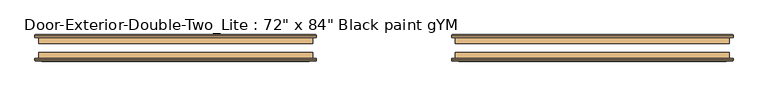
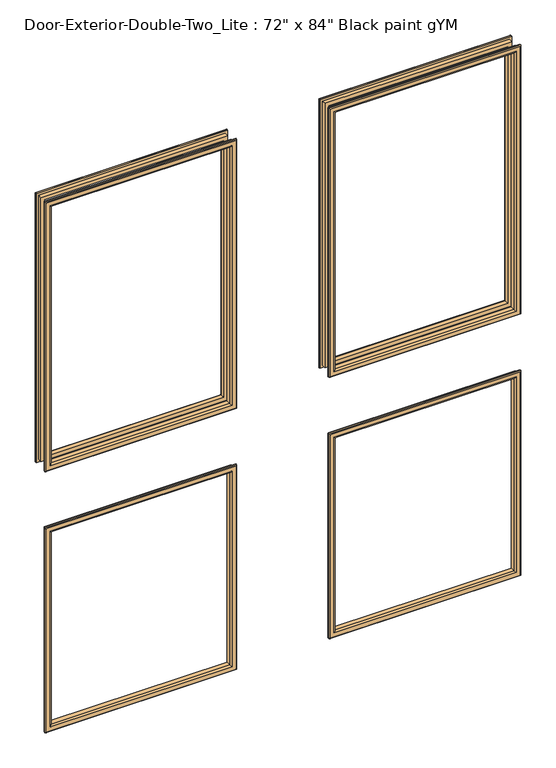
"""IFC4 building model written with IfcOpenShell, lengths in millimetres: door geometry."""

from ifc_helpers import new_model, si_unit, frame, origin, place, context, project, spatial, ellipse_curve, source, transform, mapped, element, save
from ifc_brep_helpers import plane_surface, cylinder_surface, advanced_brep


def door_aa57165d(model_context):
    return source(origin(), model_context, "Body", "AdvancedBrep", [
        advanced_brep(
        [(152.4, 148.5503125, 1990.725), (152.4, 161.2503125, 1990.725), (152.4, 161.2503125, 1117.6), (152.4, 148.5503125, 1117.6), (164.4, 162.2503125, 1978.725), (164.4, 148.5503125, 1978.725), (164.4, 148.5503125, 1129.6), (164.4, 162.2503125, 1129.6), (159.4, 167.2503125, 1983.725), (159.4, 167.2503125, 1124.6), (144.4, 165.2503125, 1998.725), (146.4, 167.2503125, 1996.725), (146.4, 167.2503125, 1111.6), (144.4, 165.2503125, 1109.6), (144.4, 161.2503125, 1998.725), (144.4, 161.2503125, 1109.6), (736.6, 161.2503125, 1117.6), (736.6, 148.5503125, 1117.6), (724.6, 148.5503125, 1129.6), (724.6, 162.2503125, 1129.6), (729.6, 167.2503125, 1124.6), (742.6, 167.2503125, 1111.6), (744.6, 165.2503125, 1109.6), (744.6, 161.2503125, 1109.6), (736.6, 161.2503125, 1990.725), (736.6, 148.5503125, 1990.725), (724.6, 148.5503125, 1978.725), (724.6, 162.2503125, 1978.725), (729.6, 167.2503125, 1983.725), (742.6, 167.2503125, 1996.725), (744.6, 165.2503125, 1998.725), (744.6, 161.2503125, 1998.725)],
        [
            (0, 1),
            (1, 2),
            (2, 3),
            (3, 0),
            (4, 5),
            (5, 6),
            (6, 7),
            (7, 4),
            (8, 4, ellipse_curve(frame((159.4, 162.2503125, 1983.725), z_axis=(-0.7071067811865475, 0.0, -0.7071067811865475), x_axis=(-0.7071067811865474, 0.0, 0.7071067811865476)), 7.0710678, 5.0)),
            (7, 9, ellipse_curve(frame((159.4, 162.2503125, 1124.6), z_axis=(-0.7071067811865475, 0.0, 0.7071067811865475), x_axis=(0.7071067811865474, 0.0, 0.7071067811865476)), 7.0710678, 5.0)),
            (9, 8),
            (10, 11, ellipse_curve(frame((146.4, 165.2503125, 1996.725), z_axis=(-0.7071067811865475, 0.0, -0.7071067811865475), x_axis=(-0.7071067811865474, 0.0, 0.7071067811865476)), 2.8284271, 2.0)),
            (11, 12),
            (12, 13, ellipse_curve(frame((146.4, 165.2503125, 1111.6), z_axis=(-0.7071067811865475, 0.0, 0.7071067811865475), x_axis=(0.7071067811865474, 0.0, 0.7071067811865476)), 2.8284271, 2.0)),
            (13, 10),
            (14, 10),
            (13, 15),
            (15, 14),
            (2, 16),
            (16, 17),
            (17, 3),
            (6, 18),
            (18, 19),
            (19, 7),
            (19, 20, ellipse_curve(frame((729.6, 162.2503125, 1124.6), z_axis=(-0.7071067811865475, 0.0, -0.7071067811865475), x_axis=(-0.7071067811865476, 0.0, 0.7071067811865474)), 7.0710678, 5.0)),
            (20, 9),
            (12, 21),
            (21, 22, ellipse_curve(frame((742.6, 165.2503125, 1111.6), z_axis=(-0.7071067811865475, 0.0, -0.7071067811865475), x_axis=(-0.7071067811865476, 0.0, 0.7071067811865474)), 2.8284271, 2.0)),
            (22, 13),
            (22, 23),
            (23, 15),
            (16, 24),
            (24, 25),
            (25, 17),
            (18, 26),
            (26, 27),
            (27, 19),
            (27, 28, ellipse_curve(frame((729.6, 162.2503125, 1983.725), z_axis=(0.7071067811865475, 0.0, -0.7071067811865475), x_axis=(-0.7071067811865474, 0.0, -0.7071067811865476)), 7.0710678, 5.0)),
            (28, 20),
            (21, 29),
            (29, 30, ellipse_curve(frame((742.6, 165.2503125, 1996.725), z_axis=(0.7071067811865475, 0.0, -0.7071067811865475), x_axis=(-0.7071067811865474, 0.0, -0.7071067811865476)), 2.8284271, 2.0)),
            (30, 22),
            (30, 31),
            (31, 23),
            (31, 14),
            (1, 24),
            (0, 25),
            (5, 26),
            (4, 27),
            (8, 28),
            (11, 29),
            (10, 30),
        ],
        [
            plane_surface(frame((152.4, 161.2503125, 1990.725), z_axis=(-1.0, 0.0, 0.0), x_axis=(0.0, 0.0, -1.0))),
            plane_surface(frame((164.4, 148.5503125, 1978.725), z_axis=(1.0, 0.0, 0.0), x_axis=(0.0, 0.0, -1.0))),
            cylinder_surface(frame((159.4, 162.2503125, 1990.725), z_axis=(0.0, 0.0, 1.0), x_axis=(-1.0, 0.0, 0.0)), 5.0),
            cylinder_surface(frame((146.4, 165.2503125, 1990.725), z_axis=(0.0, 0.0, 1.0), x_axis=(-1.0, 0.0, 0.0)), 2.0),
            plane_surface(frame((144.4, 165.2503125, 1998.725), z_axis=(-1.0, 0.0, 0.0), x_axis=(0.0, 0.0, -1.0))),
            plane_surface(frame((152.4, 161.2503125, 1117.6), z_axis=(0.0, 0.0, -1.0), x_axis=(1.0, 0.0, 0.0))),
            plane_surface(frame((164.4, 148.5503125, 1129.6), z_axis=(0.0, 0.0, 1.0), x_axis=(1.0, 0.0, 0.0))),
            cylinder_surface(frame((152.4, 162.2503125, 1124.6), z_axis=(-1.0, 0.0, 0.0), x_axis=(0.0, 0.0, -1.0)), 5.0),
            cylinder_surface(frame((152.4, 165.2503125, 1111.6), z_axis=(-1.0, 0.0, 0.0), x_axis=(0.0, 0.0, -1.0)), 2.0),
            plane_surface(frame((144.4, 165.2503125, 1109.6), z_axis=(0.0, 0.0, -1.0), x_axis=(1.0, 0.0, 0.0))),
            plane_surface(frame((736.6, 161.2503125, 1117.6), z_axis=(1.0, 0.0, 0.0), x_axis=(0.0, 0.0, 1.0))),
            plane_surface(frame((724.6, 148.5503125, 1129.6), z_axis=(-1.0, 0.0, 0.0), x_axis=(0.0, 0.0, 1.0))),
            cylinder_surface(frame((729.6, 162.2503125, 1117.6), z_axis=(0.0, 0.0, -1.0), x_axis=(1.0, 0.0, 0.0)), 5.0),
            cylinder_surface(frame((742.6, 165.2503125, 1117.6), z_axis=(0.0, 0.0, -1.0), x_axis=(1.0, 0.0, 0.0)), 2.0),
            plane_surface(frame((744.6, 165.2503125, 1109.6), z_axis=(1.0, 0.0, 0.0), x_axis=(0.0, 0.0, 1.0))),
            plane_surface(frame((744.6, 161.2503125, 1998.725), z_axis=(0.0, -1.0, 0.0), x_axis=(-1.0, 0.0, 0.0))),
            plane_surface(frame((736.6, 161.2503125, 1990.725), z_axis=(0.0, 0.0, 1.0), x_axis=(-1.0, 0.0, 0.0))),
            plane_surface(frame((736.6, 148.5503125, 1990.725), z_axis=(0.0, -1.0, 0.0), x_axis=(-1.0, 0.0, 0.0))),
            plane_surface(frame((724.6, 148.5503125, 1978.725), z_axis=(0.0, 0.0, -1.0), x_axis=(-1.0, 0.0, 0.0))),
            cylinder_surface(frame((736.6, 162.2503125, 1983.725), z_axis=(1.0, 0.0, 0.0), x_axis=(0.0, 0.0, 1.0)), 5.0),
            plane_surface(frame((729.6, 167.2503125, 1983.725), z_axis=(0.0, 1.0, 0.0), x_axis=(-1.0, 0.0, 0.0))),
            cylinder_surface(frame((736.6, 165.2503125, 1996.725), z_axis=(1.0, 0.0, 0.0), x_axis=(0.0, 0.0, 1.0)), 2.0),
            plane_surface(frame((744.6, 165.2503125, 1998.725), z_axis=(0.0, 0.0, 1.0), x_axis=(-1.0, 0.0, 0.0))),
        ],
        [
            (0, [[1, 2, 3, 4]]),
            (1, [[5, 6, 7, 8]]),
            (2, [[9, -8, 10, 11]]),
            (3, [[12, 13, 14, 15]]),
            (4, [[16, -15, 17, 18]]),
            (5, [[-3, 19, 20, 21]]),
            (6, [[-7, 22, 23, 24]]),
            (7, [[-10, -24, 25, 26]]),
            (8, [[-14, 27, 28, 29]]),
            (9, [[-17, -29, 30, 31]]),
            (10, [[-20, 32, 33, 34]]),
            (11, [[-23, 35, 36, 37]]),
            (12, [[-25, -37, 38, 39]]),
            (13, [[-28, 40, 41, 42]]),
            (14, [[-30, -42, 43, 44]]),
            (15, [[-31, -44, 45, -18], [46, -32, -19, -2]]),
            (16, [[-33, -46, -1, 47]]),
            (17, [[-21, -34, -47, -4], [48, -35, -22, -6]]),
            (18, [[-36, -48, -5, 49]]),
            (19, [[-38, -49, -9, 50]]),
            (20, [[51, -40, -27, -13], [-26, -39, -50, -11]]),
            (21, [[-41, -51, -12, 52]]),
            (22, [[-43, -52, -16, -45]]),
        ],
    ),
        advanced_brep(
        [(-736.6, 148.5503125, 1990.725), (-736.6, 161.2503125, 1990.725), (-736.6, 161.2503125, 1117.6), (-736.6, 148.5503125, 1117.6), (-724.6, 162.2503125, 1978.725), (-724.6, 148.5503125, 1978.725), (-724.6, 148.5503125, 1129.6), (-724.6, 162.2503125, 1129.6), (-729.6, 167.2503125, 1983.725), (-729.6, 167.2503125, 1124.6), (-744.6, 165.2503125, 1998.725), (-742.6, 167.2503125, 1996.725), (-742.6, 167.2503125, 1111.6), (-744.6, 165.2503125, 1109.6), (-744.6, 161.2503125, 1998.725), (-744.6, 161.2503125, 1109.6), (-152.4, 161.2503125, 1117.6), (-152.4, 148.5503125, 1117.6), (-164.4, 148.5503125, 1129.6), (-164.4, 162.2503125, 1129.6), (-159.4, 167.2503125, 1124.6), (-146.4, 167.2503125, 1111.6), (-144.4, 165.2503125, 1109.6), (-144.4, 161.2503125, 1109.6), (-152.4, 161.2503125, 1990.725), (-152.4, 148.5503125, 1990.725), (-164.4, 148.5503125, 1978.725), (-164.4, 162.2503125, 1978.725), (-159.4, 167.2503125, 1983.725), (-146.4, 167.2503125, 1996.725), (-144.4, 165.2503125, 1998.725), (-144.4, 161.2503125, 1998.725)],
        [
            (0, 1),
            (1, 2),
            (2, 3),
            (3, 0),
            (4, 5),
            (5, 6),
            (6, 7),
            (7, 4),
            (8, 4, ellipse_curve(frame((-729.6, 162.2503125, 1983.725), z_axis=(-0.7071067811865475, 0.0, -0.7071067811865475), x_axis=(-0.7071067811865474, 0.0, 0.7071067811865476)), 7.0710678, 5.0)),
            (7, 9, ellipse_curve(frame((-729.6, 162.2503125, 1124.6), z_axis=(-0.7071067811865475, 0.0, 0.7071067811865475), x_axis=(0.7071067811865474, 0.0, 0.7071067811865476)), 7.0710678, 5.0)),
            (9, 8),
            (10, 11, ellipse_curve(frame((-742.6, 165.2503125, 1996.725), z_axis=(-0.7071067811865475, 0.0, -0.7071067811865475), x_axis=(-0.7071067811865474, 0.0, 0.7071067811865476)), 2.8284271, 2.0)),
            (11, 12),
            (12, 13, ellipse_curve(frame((-742.6, 165.2503125, 1111.6), z_axis=(-0.7071067811865475, 0.0, 0.7071067811865475), x_axis=(0.7071067811865474, 0.0, 0.7071067811865476)), 2.8284271, 2.0)),
            (13, 10),
            (14, 10),
            (13, 15),
            (15, 14),
            (2, 16),
            (16, 17),
            (17, 3),
            (6, 18),
            (18, 19),
            (19, 7),
            (19, 20, ellipse_curve(frame((-159.4, 162.2503125, 1124.6), z_axis=(-0.7071067811865475, 0.0, -0.7071067811865475), x_axis=(-0.7071067811865476, 0.0, 0.7071067811865474)), 7.0710678, 5.0)),
            (20, 9),
            (12, 21),
            (21, 22, ellipse_curve(frame((-146.4, 165.2503125, 1111.6), z_axis=(-0.7071067811865475, 0.0, -0.7071067811865475), x_axis=(-0.7071067811865476, 0.0, 0.7071067811865474)), 2.8284271, 2.0)),
            (22, 13),
            (22, 23),
            (23, 15),
            (16, 24),
            (24, 25),
            (25, 17),
            (18, 26),
            (26, 27),
            (27, 19),
            (27, 28, ellipse_curve(frame((-159.4, 162.2503125, 1983.725), z_axis=(0.7071067811865475, 0.0, -0.7071067811865475), x_axis=(-0.7071067811865474, 0.0, -0.7071067811865476)), 7.0710678, 5.0)),
            (28, 20),
            (21, 29),
            (29, 30, ellipse_curve(frame((-146.4, 165.2503125, 1996.725), z_axis=(0.7071067811865475, 0.0, -0.7071067811865475), x_axis=(-0.7071067811865474, 0.0, -0.7071067811865476)), 2.8284271, 2.0)),
            (30, 22),
            (30, 31),
            (31, 23),
            (31, 14),
            (1, 24),
            (0, 25),
            (5, 26),
            (4, 27),
            (8, 28),
            (11, 29),
            (10, 30),
        ],
        [
            plane_surface(frame((-736.6, 161.2503125, 1990.725), z_axis=(-1.0, 0.0, 0.0), x_axis=(0.0, 0.0, -1.0))),
            plane_surface(frame((-724.6, 148.5503125, 1978.725), z_axis=(1.0, 0.0, 0.0), x_axis=(0.0, 0.0, -1.0))),
            cylinder_surface(frame((-729.6, 162.2503125, 1990.725), z_axis=(0.0, 0.0, 1.0), x_axis=(-1.0, 0.0, 0.0)), 5.0),
            cylinder_surface(frame((-742.6, 165.2503125, 1990.725), z_axis=(0.0, 0.0, 1.0), x_axis=(-1.0, 0.0, 0.0)), 2.0),
            plane_surface(frame((-744.6, 165.2503125, 1998.725), z_axis=(-1.0, 0.0, 0.0), x_axis=(0.0, 0.0, -1.0))),
            plane_surface(frame((-736.6, 161.2503125, 1117.6), z_axis=(0.0, 0.0, -1.0), x_axis=(1.0, 0.0, 0.0))),
            plane_surface(frame((-724.6, 148.5503125, 1129.6), z_axis=(0.0, 0.0, 1.0), x_axis=(1.0, 0.0, 0.0))),
            cylinder_surface(frame((-736.6, 162.2503125, 1124.6), z_axis=(-1.0, 0.0, 0.0), x_axis=(0.0, 0.0, -1.0)), 5.0),
            cylinder_surface(frame((-736.6, 165.2503125, 1111.6), z_axis=(-1.0, 0.0, 0.0), x_axis=(0.0, 0.0, -1.0)), 2.0),
            plane_surface(frame((-744.6, 165.2503125, 1109.6), z_axis=(0.0, 0.0, -1.0), x_axis=(1.0, 0.0, 0.0))),
            plane_surface(frame((-152.4, 161.2503125, 1117.6), z_axis=(1.0, 0.0, 0.0), x_axis=(0.0, 0.0, 1.0))),
            plane_surface(frame((-164.4, 148.5503125, 1129.6), z_axis=(-1.0, 0.0, 0.0), x_axis=(0.0, 0.0, 1.0))),
            cylinder_surface(frame((-159.4, 162.2503125, 1117.6), z_axis=(0.0, 0.0, -1.0), x_axis=(1.0, 0.0, 0.0)), 5.0),
            cylinder_surface(frame((-146.4, 165.2503125, 1117.6), z_axis=(0.0, 0.0, -1.0), x_axis=(1.0, 0.0, 0.0)), 2.0),
            plane_surface(frame((-144.4, 165.2503125, 1109.6), z_axis=(1.0, 0.0, 0.0), x_axis=(0.0, 0.0, 1.0))),
            plane_surface(frame((-144.4, 161.2503125, 1998.725), z_axis=(0.0, -1.0, 0.0), x_axis=(-1.0, 0.0, 0.0))),
            plane_surface(frame((-152.4, 161.2503125, 1990.725), z_axis=(0.0, 0.0, 1.0), x_axis=(-1.0, 0.0, 0.0))),
            plane_surface(frame((-152.4, 148.5503125, 1990.725), z_axis=(0.0, -1.0, 0.0), x_axis=(-1.0, 0.0, 0.0))),
            plane_surface(frame((-164.4, 148.5503125, 1978.725), z_axis=(0.0, 0.0, -1.0), x_axis=(-1.0, 0.0, 0.0))),
            cylinder_surface(frame((-152.4, 162.2503125, 1983.725), z_axis=(1.0, 0.0, 0.0), x_axis=(0.0, 0.0, 1.0)), 5.0),
            plane_surface(frame((-159.4, 167.2503125, 1983.725), z_axis=(0.0, 1.0, 0.0), x_axis=(-1.0, 0.0, 0.0))),
            cylinder_surface(frame((-152.4, 165.2503125, 1996.725), z_axis=(1.0, 0.0, 0.0), x_axis=(0.0, 0.0, 1.0)), 2.0),
            plane_surface(frame((-144.4, 165.2503125, 1998.725), z_axis=(0.0, 0.0, 1.0), x_axis=(-1.0, 0.0, 0.0))),
        ],
        [
            (0, [[1, 2, 3, 4]]),
            (1, [[5, 6, 7, 8]]),
            (2, [[9, -8, 10, 11]]),
            (3, [[12, 13, 14, 15]]),
            (4, [[16, -15, 17, 18]]),
            (5, [[-3, 19, 20, 21]]),
            (6, [[-7, 22, 23, 24]]),
            (7, [[-10, -24, 25, 26]]),
            (8, [[-14, 27, 28, 29]]),
            (9, [[-17, -29, 30, 31]]),
            (10, [[-20, 32, 33, 34]]),
            (11, [[-23, 35, 36, 37]]),
            (12, [[-25, -37, 38, 39]]),
            (13, [[-28, 40, 41, 42]]),
            (14, [[-30, -42, 43, 44]]),
            (15, [[-31, -44, 45, -18], [46, -32, -19, -2]]),
            (16, [[-33, -46, -1, 47]]),
            (17, [[-21, -34, -47, -4], [48, -35, -22, -6]]),
            (18, [[-36, -48, -5, 49]]),
            (19, [[-38, -49, -9, 50]]),
            (20, [[51, -40, -27, -13], [-26, -39, -50, -11]]),
            (21, [[-41, -51, -12, 52]]),
            (22, [[-43, -52, -16, -45]]),
        ],
    ),
        advanced_brep(
        [(-736.6, 129.5003125, 254.0), (-736.6, 116.8003125, 254.0), (-736.6, 116.8003125, 914.4), (-736.6, 129.5003125, 914.4), (-724.6, 115.8003125, 266.0), (-724.6, 129.5003125, 266.0), (-724.6, 129.5003125, 902.4), (-724.6, 115.8003125, 902.4), (-729.6, 110.8003125, 261.0), (-729.6, 110.8003125, 907.4), (-744.6, 112.8003125, 246.0), (-742.6, 110.8003125, 248.0), (-742.6, 110.8003125, 920.4), (-744.6, 112.8003125, 922.4), (-744.6, 116.8003125, 246.0), (-744.6, 116.8003125, 922.4), (-152.4, 116.8003125, 914.4), (-152.4, 129.5003125, 914.4), (-164.4, 129.5003125, 902.4), (-164.4, 115.8003125, 902.4), (-159.4, 110.8003125, 907.4), (-146.4, 110.8003125, 920.4), (-144.4, 112.8003125, 922.4), (-144.4, 116.8003125, 922.4), (-152.4, 116.8003125, 254.0), (-152.4, 129.5003125, 254.0), (-164.4, 129.5003125, 266.0), (-164.4, 115.8003125, 266.0), (-159.4, 110.8003125, 261.0), (-146.4, 110.8003125, 248.0), (-144.4, 112.8003125, 246.0), (-144.4, 116.8003125, 246.0)],
        [
            (0, 1),
            (1, 2),
            (2, 3),
            (3, 0),
            (4, 5),
            (5, 6),
            (6, 7),
            (7, 4),
            (8, 4, ellipse_curve(frame((-729.6, 115.8003125, 261.0), z_axis=(-0.7071067811865475, 0.0, 0.7071067811865475), x_axis=(-0.7071067811865474, 0.0, -0.7071067811865476)), 7.0710678, 5.0)),
            (7, 9, ellipse_curve(frame((-729.6, 115.8003125, 907.4), z_axis=(-0.7071067811865475, 0.0, -0.7071067811865475), x_axis=(0.7071067811865474, 0.0, -0.7071067811865476)), 7.0710678, 5.0)),
            (9, 8),
            (10, 11, ellipse_curve(frame((-742.6, 112.8003125, 248.0), z_axis=(-0.7071067811865475, 0.0, 0.7071067811865475), x_axis=(-0.7071067811865474, 0.0, -0.7071067811865476)), 2.8284271, 2.0)),
            (11, 12),
            (12, 13, ellipse_curve(frame((-742.6, 112.8003125, 920.4), z_axis=(-0.7071067811865475, 0.0, -0.7071067811865475), x_axis=(0.7071067811865474, 0.0, -0.7071067811865476)), 2.8284271, 2.0)),
            (13, 10),
            (14, 10),
            (13, 15),
            (15, 14),
            (2, 16),
            (16, 17),
            (17, 3),
            (6, 18),
            (18, 19),
            (19, 7),
            (19, 20, ellipse_curve(frame((-159.4, 115.8003125, 907.4), z_axis=(-0.7071067811865475, 0.0, 0.7071067811865475), x_axis=(-0.7071067811865476, 0.0, -0.7071067811865474)), 7.0710678, 5.0)),
            (20, 9),
            (12, 21),
            (21, 22, ellipse_curve(frame((-146.4, 112.8003125, 920.4), z_axis=(-0.7071067811865475, 0.0, 0.7071067811865475), x_axis=(-0.7071067811865476, 0.0, -0.7071067811865474)), 2.8284271, 2.0)),
            (22, 13),
            (22, 23),
            (23, 15),
            (16, 24),
            (24, 25),
            (25, 17),
            (18, 26),
            (26, 27),
            (27, 19),
            (27, 28, ellipse_curve(frame((-159.4, 115.8003125, 261.0), z_axis=(0.7071067811865475, 0.0, 0.7071067811865475), x_axis=(-0.7071067811865474, 0.0, 0.7071067811865476)), 7.0710678, 5.0)),
            (28, 20),
            (21, 29),
            (29, 30, ellipse_curve(frame((-146.4, 112.8003125, 248.0), z_axis=(0.7071067811865475, 0.0, 0.7071067811865475), x_axis=(-0.7071067811865474, 0.0, 0.7071067811865476)), 2.8284271, 2.0)),
            (30, 22),
            (30, 31),
            (31, 23),
            (31, 14),
            (1, 24),
            (0, 25),
            (5, 26),
            (4, 27),
            (8, 28),
            (11, 29),
            (10, 30),
        ],
        [
            plane_surface(frame((-736.6, 116.8003125, 254.0), z_axis=(-1.0, 0.0, 0.0), x_axis=(0.0, 0.0, 1.0))),
            plane_surface(frame((-724.6, 129.5003125, 266.0), z_axis=(1.0, 0.0, 0.0), x_axis=(0.0, 0.0, 1.0))),
            cylinder_surface(frame((-729.6, 115.8003125, 254.0), z_axis=(0.0, 0.0, -1.0), x_axis=(-1.0, 0.0, 0.0)), 5.0),
            cylinder_surface(frame((-742.6, 112.8003125, 254.0), z_axis=(0.0, 0.0, -1.0), x_axis=(-1.0, 0.0, 0.0)), 2.0),
            plane_surface(frame((-744.6, 112.8003125, 246.0), z_axis=(-1.0, 0.0, 0.0), x_axis=(0.0, 0.0, 1.0))),
            plane_surface(frame((-736.6, 116.8003125, 914.4), z_axis=(0.0, 0.0, 1.0), x_axis=(1.0, 0.0, 0.0))),
            plane_surface(frame((-724.6, 129.5003125, 902.4), z_axis=(0.0, 0.0, -1.0), x_axis=(1.0, 0.0, 0.0))),
            cylinder_surface(frame((-736.6, 115.8003125, 907.4), z_axis=(-1.0, 0.0, 0.0), x_axis=(0.0, 0.0, 1.0)), 5.0),
            cylinder_surface(frame((-736.6, 112.8003125, 920.4), z_axis=(-1.0, 0.0, 0.0), x_axis=(0.0, 0.0, 1.0)), 2.0),
            plane_surface(frame((-744.6, 112.8003125, 922.4), z_axis=(0.0, 0.0, 1.0), x_axis=(1.0, 0.0, 0.0))),
            plane_surface(frame((-152.4, 116.8003125, 914.4), z_axis=(1.0, 0.0, 0.0), x_axis=(0.0, 0.0, -1.0))),
            plane_surface(frame((-164.4, 129.5003125, 902.4), z_axis=(-1.0, 0.0, 0.0), x_axis=(0.0, 0.0, -1.0))),
            cylinder_surface(frame((-159.4, 115.8003125, 914.4), z_axis=(0.0, 0.0, 1.0), x_axis=(1.0, 0.0, 0.0)), 5.0),
            cylinder_surface(frame((-146.4, 112.8003125, 914.4), z_axis=(0.0, 0.0, 1.0), x_axis=(1.0, 0.0, 0.0)), 2.0),
            plane_surface(frame((-144.4, 112.8003125, 922.4), z_axis=(1.0, 0.0, 0.0), x_axis=(0.0, 0.0, -1.0))),
            plane_surface(frame((-144.4, 116.8003125, 246.0), z_axis=(0.0, 1.0, 0.0), x_axis=(-1.0, 0.0, 0.0))),
            plane_surface(frame((-152.4, 116.8003125, 254.0), z_axis=(0.0, 0.0, -1.0), x_axis=(-1.0, 0.0, 0.0))),
            plane_surface(frame((-152.4, 129.5003125, 254.0), z_axis=(0.0, 1.0, 0.0), x_axis=(-1.0, 0.0, 0.0))),
            plane_surface(frame((-164.4, 129.5003125, 266.0), z_axis=(0.0, 0.0, 1.0), x_axis=(-1.0, 0.0, 0.0))),
            cylinder_surface(frame((-152.4, 115.8003125, 261.0), z_axis=(1.0, 0.0, 0.0), x_axis=(0.0, 0.0, -1.0)), 5.0),
            plane_surface(frame((-159.4, 110.8003125, 261.0), z_axis=(0.0, -1.0, 0.0), x_axis=(-1.0, 0.0, 0.0))),
            cylinder_surface(frame((-152.4, 112.8003125, 248.0), z_axis=(1.0, 0.0, 0.0), x_axis=(0.0, 0.0, -1.0)), 2.0),
            plane_surface(frame((-144.4, 112.8003125, 246.0), z_axis=(0.0, 0.0, -1.0), x_axis=(-1.0, 0.0, 0.0))),
        ],
        [
            (0, [[1, 2, 3, 4]]),
            (1, [[5, 6, 7, 8]]),
            (2, [[9, -8, 10, 11]]),
            (3, [[12, 13, 14, 15]]),
            (4, [[16, -15, 17, 18]]),
            (5, [[-3, 19, 20, 21]]),
            (6, [[-7, 22, 23, 24]]),
            (7, [[-10, -24, 25, 26]]),
            (8, [[-14, 27, 28, 29]]),
            (9, [[-17, -29, 30, 31]]),
            (10, [[-20, 32, 33, 34]]),
            (11, [[-23, 35, 36, 37]]),
            (12, [[-25, -37, 38, 39]]),
            (13, [[-28, 40, 41, 42]]),
            (14, [[-30, -42, 43, 44]]),
            (15, [[-31, -44, 45, -18], [46, -32, -19, -2]]),
            (16, [[-33, -46, -1, 47]]),
            (17, [[-21, -34, -47, -4], [48, -35, -22, -6]]),
            (18, [[-36, -48, -5, 49]]),
            (19, [[-38, -49, -9, 50]]),
            (20, [[51, -40, -27, -13], [-26, -39, -50, -11]]),
            (21, [[-41, -51, -12, 52]]),
            (22, [[-43, -52, -16, -45]]),
        ],
    ),
        advanced_brep(
        [(152.4, 129.5003125, 254.0), (152.4, 116.8003125, 254.0), (152.4, 116.8003125, 914.4), (152.4, 129.5003125, 914.4), (164.4, 115.8003125, 266.0), (164.4, 129.5003125, 266.0), (164.4, 129.5003125, 902.4), (164.4, 115.8003125, 902.4), (159.4, 110.8003125, 261.0), (159.4, 110.8003125, 907.4), (144.4, 112.8003125, 246.0), (146.4, 110.8003125, 248.0), (146.4, 110.8003125, 920.4), (144.4, 112.8003125, 922.4), (144.4, 116.8003125, 246.0), (144.4, 116.8003125, 922.4), (736.6, 116.8003125, 914.4), (736.6, 129.5003125, 914.4), (724.6, 129.5003125, 902.4), (724.6, 115.8003125, 902.4), (729.6, 110.8003125, 907.4), (742.6, 110.8003125, 920.4), (744.6, 112.8003125, 922.4), (744.6, 116.8003125, 922.4), (736.6, 116.8003125, 254.0), (736.6, 129.5003125, 254.0), (724.6, 129.5003125, 266.0), (724.6, 115.8003125, 266.0), (729.6, 110.8003125, 261.0), (742.6, 110.8003125, 248.0), (744.6, 112.8003125, 246.0), (744.6, 116.8003125, 246.0)],
        [
            (0, 1),
            (1, 2),
            (2, 3),
            (3, 0),
            (4, 5),
            (5, 6),
            (6, 7),
            (7, 4),
            (8, 4, ellipse_curve(frame((159.4, 115.8003125, 261.0), z_axis=(-0.7071067811865475, 0.0, 0.7071067811865475), x_axis=(-0.7071067811865474, 0.0, -0.7071067811865476)), 7.0710678, 5.0)),
            (7, 9, ellipse_curve(frame((159.4, 115.8003125, 907.4), z_axis=(-0.7071067811865475, 0.0, -0.7071067811865475), x_axis=(0.7071067811865474, 0.0, -0.7071067811865476)), 7.0710678, 5.0)),
            (9, 8),
            (10, 11, ellipse_curve(frame((146.4, 112.8003125, 248.0), z_axis=(-0.7071067811865475, 0.0, 0.7071067811865475), x_axis=(-0.7071067811865474, 0.0, -0.7071067811865476)), 2.8284271, 2.0)),
            (11, 12),
            (12, 13, ellipse_curve(frame((146.4, 112.8003125, 920.4), z_axis=(-0.7071067811865475, 0.0, -0.7071067811865475), x_axis=(0.7071067811865474, 0.0, -0.7071067811865476)), 2.8284271, 2.0)),
            (13, 10),
            (14, 10),
            (13, 15),
            (15, 14),
            (2, 16),
            (16, 17),
            (17, 3),
            (6, 18),
            (18, 19),
            (19, 7),
            (19, 20, ellipse_curve(frame((729.6, 115.8003125, 907.4), z_axis=(-0.7071067811865475, 0.0, 0.7071067811865475), x_axis=(-0.7071067811865476, 0.0, -0.7071067811865474)), 7.0710678, 5.0)),
            (20, 9),
            (12, 21),
            (21, 22, ellipse_curve(frame((742.6, 112.8003125, 920.4), z_axis=(-0.7071067811865475, 0.0, 0.7071067811865475), x_axis=(-0.7071067811865476, 0.0, -0.7071067811865474)), 2.8284271, 2.0)),
            (22, 13),
            (22, 23),
            (23, 15),
            (16, 24),
            (24, 25),
            (25, 17),
            (18, 26),
            (26, 27),
            (27, 19),
            (27, 28, ellipse_curve(frame((729.6, 115.8003125, 261.0), z_axis=(0.7071067811865475, 0.0, 0.7071067811865475), x_axis=(-0.7071067811865474, 0.0, 0.7071067811865476)), 7.0710678, 5.0)),
            (28, 20),
            (21, 29),
            (29, 30, ellipse_curve(frame((742.6, 112.8003125, 248.0), z_axis=(0.7071067811865475, 0.0, 0.7071067811865475), x_axis=(-0.7071067811865474, 0.0, 0.7071067811865476)), 2.8284271, 2.0)),
            (30, 22),
            (30, 31),
            (31, 23),
            (31, 14),
            (1, 24),
            (0, 25),
            (5, 26),
            (4, 27),
            (8, 28),
            (11, 29),
            (10, 30),
        ],
        [
            plane_surface(frame((152.4, 116.8003125, 254.0), z_axis=(-1.0, 0.0, 0.0), x_axis=(0.0, 0.0, 1.0))),
            plane_surface(frame((164.4, 129.5003125, 266.0), z_axis=(1.0, 0.0, 0.0), x_axis=(0.0, 0.0, 1.0))),
            cylinder_surface(frame((159.4, 115.8003125, 254.0), z_axis=(0.0, 0.0, -1.0), x_axis=(-1.0, 0.0, 0.0)), 5.0),
            cylinder_surface(frame((146.4, 112.8003125, 254.0), z_axis=(0.0, 0.0, -1.0), x_axis=(-1.0, 0.0, 0.0)), 2.0),
            plane_surface(frame((144.4, 112.8003125, 246.0), z_axis=(-1.0, 0.0, 0.0), x_axis=(0.0, 0.0, 1.0))),
            plane_surface(frame((152.4, 116.8003125, 914.4), z_axis=(0.0, 0.0, 1.0), x_axis=(1.0, 0.0, 0.0))),
            plane_surface(frame((164.4, 129.5003125, 902.4), z_axis=(0.0, 0.0, -1.0), x_axis=(1.0, 0.0, 0.0))),
            cylinder_surface(frame((152.4, 115.8003125, 907.4), z_axis=(-1.0, 0.0, 0.0), x_axis=(0.0, 0.0, 1.0)), 5.0),
            cylinder_surface(frame((152.4, 112.8003125, 920.4), z_axis=(-1.0, 0.0, 0.0), x_axis=(0.0, 0.0, 1.0)), 2.0),
            plane_surface(frame((144.4, 112.8003125, 922.4), z_axis=(0.0, 0.0, 1.0), x_axis=(1.0, 0.0, 0.0))),
            plane_surface(frame((736.6, 116.8003125, 914.4), z_axis=(1.0, 0.0, 0.0), x_axis=(0.0, 0.0, -1.0))),
            plane_surface(frame((724.6, 129.5003125, 902.4), z_axis=(-1.0, 0.0, 0.0), x_axis=(0.0, 0.0, -1.0))),
            cylinder_surface(frame((729.6, 115.8003125, 914.4), z_axis=(0.0, 0.0, 1.0), x_axis=(1.0, 0.0, 0.0)), 5.0),
            cylinder_surface(frame((742.6, 112.8003125, 914.4), z_axis=(0.0, 0.0, 1.0), x_axis=(1.0, 0.0, 0.0)), 2.0),
            plane_surface(frame((744.6, 112.8003125, 922.4), z_axis=(1.0, 0.0, 0.0), x_axis=(0.0, 0.0, -1.0))),
            plane_surface(frame((744.6, 116.8003125, 246.0), z_axis=(0.0, 1.0, 0.0), x_axis=(-1.0, 0.0, 0.0))),
            plane_surface(frame((736.6, 116.8003125, 254.0), z_axis=(0.0, 0.0, -1.0), x_axis=(-1.0, 0.0, 0.0))),
            plane_surface(frame((736.6, 129.5003125, 254.0), z_axis=(0.0, 1.0, 0.0), x_axis=(-1.0, 0.0, 0.0))),
            plane_surface(frame((724.6, 129.5003125, 266.0), z_axis=(0.0, 0.0, 1.0), x_axis=(-1.0, 0.0, 0.0))),
            cylinder_surface(frame((736.6, 115.8003125, 261.0), z_axis=(1.0, 0.0, 0.0), x_axis=(0.0, 0.0, -1.0)), 5.0),
            plane_surface(frame((729.6, 110.8003125, 261.0), z_axis=(0.0, -1.0, 0.0), x_axis=(-1.0, 0.0, 0.0))),
            cylinder_surface(frame((736.6, 112.8003125, 248.0), z_axis=(1.0, 0.0, 0.0), x_axis=(0.0, 0.0, -1.0)), 2.0),
            plane_surface(frame((744.6, 112.8003125, 246.0), z_axis=(0.0, 0.0, -1.0), x_axis=(-1.0, 0.0, 0.0))),
        ],
        [
            (0, [[1, 2, 3, 4]]),
            (1, [[5, 6, 7, 8]]),
            (2, [[9, -8, 10, 11]]),
            (3, [[12, 13, 14, 15]]),
            (4, [[16, -15, 17, 18]]),
            (5, [[-3, 19, 20, 21]]),
            (6, [[-7, 22, 23, 24]]),
            (7, [[-10, -24, 25, 26]]),
            (8, [[-14, 27, 28, 29]]),
            (9, [[-17, -29, 30, 31]]),
            (10, [[-20, 32, 33, 34]]),
            (11, [[-23, 35, 36, 37]]),
            (12, [[-25, -37, 38, 39]]),
            (13, [[-28, 40, 41, 42]]),
            (14, [[-30, -42, 43, 44]]),
            (15, [[-31, -44, 45, -18], [46, -32, -19, -2]]),
            (16, [[-33, -46, -1, 47]]),
            (17, [[-21, -34, -47, -4], [48, -35, -22, -6]]),
            (18, [[-36, -48, -5, 49]]),
            (19, [[-38, -49, -9, 50]]),
            (20, [[51, -40, -27, -13], [-26, -39, -50, -11]]),
            (21, [[-41, -51, -12, 52]]),
            (22, [[-43, -52, -16, -45]]),
        ],
    ),
        advanced_brep(
        [(152.4, 129.5003125, 1117.6), (152.4, 116.8003125, 1117.6), (152.4, 116.8003125, 1990.725), (152.4, 129.5003125, 1990.725), (164.4, 115.8003125, 1129.6), (164.4, 129.5003125, 1129.6), (164.4, 129.5003125, 1978.725), (164.4, 115.8003125, 1978.725), (159.4, 110.8003125, 1124.6), (159.4, 110.8003125, 1983.725), (144.4, 112.8003125, 1109.6), (146.4, 110.8003125, 1111.6), (146.4, 110.8003125, 1996.725), (144.4, 112.8003125, 1998.725), (144.4, 116.8003125, 1109.6), (144.4, 116.8003125, 1998.725), (736.6, 116.8003125, 1990.725), (736.6, 129.5003125, 1990.725), (724.6, 129.5003125, 1978.725), (724.6, 115.8003125, 1978.725), (729.6, 110.8003125, 1983.725), (742.6, 110.8003125, 1996.725), (744.6, 112.8003125, 1998.725), (744.6, 116.8003125, 1998.725), (736.6, 116.8003125, 1117.6), (736.6, 129.5003125, 1117.6), (724.6, 129.5003125, 1129.6), (724.6, 115.8003125, 1129.6), (729.6, 110.8003125, 1124.6), (742.6, 110.8003125, 1111.6), (744.6, 112.8003125, 1109.6), (744.6, 116.8003125, 1109.6)],
        [
            (0, 1),
            (1, 2),
            (2, 3),
            (3, 0),
            (4, 5),
            (5, 6),
            (6, 7),
            (7, 4),
            (8, 4, ellipse_curve(frame((159.4, 115.8003125, 1124.6), z_axis=(-0.7071067811865475, 0.0, 0.7071067811865475), x_axis=(-0.7071067811865474, 0.0, -0.7071067811865476)), 7.0710678, 5.0)),
            (7, 9, ellipse_curve(frame((159.4, 115.8003125, 1983.725), z_axis=(-0.7071067811865475, 0.0, -0.7071067811865475), x_axis=(0.7071067811865474, 0.0, -0.7071067811865476)), 7.0710678, 5.0)),
            (9, 8),
            (10, 11, ellipse_curve(frame((146.4, 112.8003125, 1111.6), z_axis=(-0.7071067811865475, 0.0, 0.7071067811865475), x_axis=(-0.7071067811865474, 0.0, -0.7071067811865476)), 2.8284271, 2.0)),
            (11, 12),
            (12, 13, ellipse_curve(frame((146.4, 112.8003125, 1996.725), z_axis=(-0.7071067811865475, 0.0, -0.7071067811865475), x_axis=(0.7071067811865474, 0.0, -0.7071067811865476)), 2.8284271, 2.0)),
            (13, 10),
            (14, 10),
            (13, 15),
            (15, 14),
            (2, 16),
            (16, 17),
            (17, 3),
            (6, 18),
            (18, 19),
            (19, 7),
            (19, 20, ellipse_curve(frame((729.6, 115.8003125, 1983.725), z_axis=(-0.7071067811865475, 0.0, 0.7071067811865475), x_axis=(-0.7071067811865476, 0.0, -0.7071067811865474)), 7.0710678, 5.0)),
            (20, 9),
            (12, 21),
            (21, 22, ellipse_curve(frame((742.6, 112.8003125, 1996.725), z_axis=(-0.7071067811865475, 0.0, 0.7071067811865475), x_axis=(-0.7071067811865476, 0.0, -0.7071067811865474)), 2.8284271, 2.0)),
            (22, 13),
            (22, 23),
            (23, 15),
            (16, 24),
            (24, 25),
            (25, 17),
            (18, 26),
            (26, 27),
            (27, 19),
            (27, 28, ellipse_curve(frame((729.6, 115.8003125, 1124.6), z_axis=(0.7071067811865475, 0.0, 0.7071067811865475), x_axis=(-0.7071067811865474, 0.0, 0.7071067811865476)), 7.0710678, 5.0)),
            (28, 20),
            (21, 29),
            (29, 30, ellipse_curve(frame((742.6, 112.8003125, 1111.6), z_axis=(0.7071067811865475, 0.0, 0.7071067811865475), x_axis=(-0.7071067811865474, 0.0, 0.7071067811865476)), 2.8284271, 2.0)),
            (30, 22),
            (30, 31),
            (31, 23),
            (31, 14),
            (1, 24),
            (0, 25),
            (5, 26),
            (4, 27),
            (8, 28),
            (11, 29),
            (10, 30),
        ],
        [
            plane_surface(frame((152.4, 116.8003125, 1117.6), z_axis=(-1.0, 0.0, 0.0), x_axis=(0.0, 0.0, 1.0))),
            plane_surface(frame((164.4, 129.5003125, 1129.6), z_axis=(1.0, 0.0, 0.0), x_axis=(0.0, 0.0, 1.0))),
            cylinder_surface(frame((159.4, 115.8003125, 1117.6), z_axis=(0.0, 0.0, -1.0), x_axis=(-1.0, 0.0, 0.0)), 5.0),
            cylinder_surface(frame((146.4, 112.8003125, 1117.6), z_axis=(0.0, 0.0, -1.0), x_axis=(-1.0, 0.0, 0.0)), 2.0),
            plane_surface(frame((144.4, 112.8003125, 1109.6), z_axis=(-1.0, 0.0, 0.0), x_axis=(0.0, 0.0, 1.0))),
            plane_surface(frame((152.4, 116.8003125, 1990.725), z_axis=(0.0, 0.0, 1.0), x_axis=(1.0, 0.0, 0.0))),
            plane_surface(frame((164.4, 129.5003125, 1978.725), z_axis=(0.0, 0.0, -1.0), x_axis=(1.0, 0.0, 0.0))),
            cylinder_surface(frame((152.4, 115.8003125, 1983.725), z_axis=(-1.0, 0.0, 0.0), x_axis=(0.0, 0.0, 1.0)), 5.0),
            cylinder_surface(frame((152.4, 112.8003125, 1996.725), z_axis=(-1.0, 0.0, 0.0), x_axis=(0.0, 0.0, 1.0)), 2.0),
            plane_surface(frame((144.4, 112.8003125, 1998.725), z_axis=(0.0, 0.0, 1.0), x_axis=(1.0, 0.0, 0.0))),
            plane_surface(frame((736.6, 116.8003125, 1990.725), z_axis=(1.0, 0.0, 0.0), x_axis=(0.0, 0.0, -1.0))),
            plane_surface(frame((724.6, 129.5003125, 1978.725), z_axis=(-1.0, 0.0, 0.0), x_axis=(0.0, 0.0, -1.0))),
            cylinder_surface(frame((729.6, 115.8003125, 1990.725), z_axis=(0.0, 0.0, 1.0), x_axis=(1.0, 0.0, 0.0)), 5.0),
            cylinder_surface(frame((742.6, 112.8003125, 1990.725), z_axis=(0.0, 0.0, 1.0), x_axis=(1.0, 0.0, 0.0)), 2.0),
            plane_surface(frame((744.6, 112.8003125, 1998.725), z_axis=(1.0, 0.0, 0.0), x_axis=(0.0, 0.0, -1.0))),
            plane_surface(frame((744.6, 116.8003125, 1109.6), z_axis=(0.0, 1.0, 0.0), x_axis=(-1.0, 0.0, 0.0))),
            plane_surface(frame((736.6, 116.8003125, 1117.6), z_axis=(0.0, 0.0, -1.0), x_axis=(-1.0, 0.0, 0.0))),
            plane_surface(frame((736.6, 129.5003125, 1117.6), z_axis=(0.0, 1.0, 0.0), x_axis=(-1.0, 0.0, 0.0))),
            plane_surface(frame((724.6, 129.5003125, 1129.6), z_axis=(0.0, 0.0, 1.0), x_axis=(-1.0, 0.0, 0.0))),
            cylinder_surface(frame((736.6, 115.8003125, 1124.6), z_axis=(1.0, 0.0, 0.0), x_axis=(0.0, 0.0, -1.0)), 5.0),
            plane_surface(frame((729.6, 110.8003125, 1124.6), z_axis=(0.0, -1.0, 0.0), x_axis=(-1.0, 0.0, 0.0))),
            cylinder_surface(frame((736.6, 112.8003125, 1111.6), z_axis=(1.0, 0.0, 0.0), x_axis=(0.0, 0.0, -1.0)), 2.0),
            plane_surface(frame((744.6, 112.8003125, 1109.6), z_axis=(0.0, 0.0, -1.0), x_axis=(-1.0, 0.0, 0.0))),
        ],
        [
            (0, [[1, 2, 3, 4]]),
            (1, [[5, 6, 7, 8]]),
            (2, [[9, -8, 10, 11]]),
            (3, [[12, 13, 14, 15]]),
            (4, [[16, -15, 17, 18]]),
            (5, [[-3, 19, 20, 21]]),
            (6, [[-7, 22, 23, 24]]),
            (7, [[-10, -24, 25, 26]]),
            (8, [[-14, 27, 28, 29]]),
            (9, [[-17, -29, 30, 31]]),
            (10, [[-20, 32, 33, 34]]),
            (11, [[-23, 35, 36, 37]]),
            (12, [[-25, -37, 38, 39]]),
            (13, [[-28, 40, 41, 42]]),
            (14, [[-30, -42, 43, 44]]),
            (15, [[-31, -44, 45, -18], [46, -32, -19, -2]]),
            (16, [[-33, -46, -1, 47]]),
            (17, [[-21, -34, -47, -4], [48, -35, -22, -6]]),
            (18, [[-36, -48, -5, 49]]),
            (19, [[-38, -49, -9, 50]]),
            (20, [[51, -40, -27, -13], [-26, -39, -50, -11]]),
            (21, [[-41, -51, -12, 52]]),
            (22, [[-43, -52, -16, -45]]),
        ],
    ),
        advanced_brep(
        [(-736.6, 129.5003125, 1117.6), (-736.6, 116.8003125, 1117.6), (-736.6, 116.8003125, 1990.725), (-736.6, 129.5003125, 1990.725), (-724.6, 115.8003125, 1129.6), (-724.6, 129.5003125, 1129.6), (-724.6, 129.5003125, 1978.725), (-724.6, 115.8003125, 1978.725), (-729.6, 110.8003125, 1124.6), (-729.6, 110.8003125, 1983.725), (-744.6, 112.8003125, 1109.6), (-742.6, 110.8003125, 1111.6), (-742.6, 110.8003125, 1996.725), (-744.6, 112.8003125, 1998.725), (-744.6, 116.8003125, 1109.6), (-744.6, 116.8003125, 1998.725), (-152.4, 116.8003125, 1990.725), (-152.4, 129.5003125, 1990.725), (-164.4, 129.5003125, 1978.725), (-164.4, 115.8003125, 1978.725), (-159.4, 110.8003125, 1983.725), (-146.4, 110.8003125, 1996.725), (-144.4, 112.8003125, 1998.725), (-144.4, 116.8003125, 1998.725), (-152.4, 116.8003125, 1117.6), (-152.4, 129.5003125, 1117.6), (-164.4, 129.5003125, 1129.6), (-164.4, 115.8003125, 1129.6), (-159.4, 110.8003125, 1124.6), (-146.4, 110.8003125, 1111.6), (-144.4, 112.8003125, 1109.6), (-144.4, 116.8003125, 1109.6)],
        [
            (0, 1),
            (1, 2),
            (2, 3),
            (3, 0),
            (4, 5),
            (5, 6),
            (6, 7),
            (7, 4),
            (8, 4, ellipse_curve(frame((-729.6, 115.8003125, 1124.6), z_axis=(-0.7071067811865475, 0.0, 0.7071067811865475), x_axis=(-0.7071067811865474, 0.0, -0.7071067811865476)), 7.0710678, 5.0)),
            (7, 9, ellipse_curve(frame((-729.6, 115.8003125, 1983.725), z_axis=(-0.7071067811865475, 0.0, -0.7071067811865475), x_axis=(0.7071067811865474, 0.0, -0.7071067811865476)), 7.0710678, 5.0)),
            (9, 8),
            (10, 11, ellipse_curve(frame((-742.6, 112.8003125, 1111.6), z_axis=(-0.7071067811865475, 0.0, 0.7071067811865475), x_axis=(-0.7071067811865474, 0.0, -0.7071067811865476)), 2.8284271, 2.0)),
            (11, 12),
            (12, 13, ellipse_curve(frame((-742.6, 112.8003125, 1996.725), z_axis=(-0.7071067811865475, 0.0, -0.7071067811865475), x_axis=(0.7071067811865474, 0.0, -0.7071067811865476)), 2.8284271, 2.0)),
            (13, 10),
            (14, 10),
            (13, 15),
            (15, 14),
            (2, 16),
            (16, 17),
            (17, 3),
            (6, 18),
            (18, 19),
            (19, 7),
            (19, 20, ellipse_curve(frame((-159.4, 115.8003125, 1983.725), z_axis=(-0.7071067811865475, 0.0, 0.7071067811865475), x_axis=(-0.7071067811865476, 0.0, -0.7071067811865474)), 7.0710678, 5.0)),
            (20, 9),
            (12, 21),
            (21, 22, ellipse_curve(frame((-146.4, 112.8003125, 1996.725), z_axis=(-0.7071067811865475, 0.0, 0.7071067811865475), x_axis=(-0.7071067811865476, 0.0, -0.7071067811865474)), 2.8284271, 2.0)),
            (22, 13),
            (22, 23),
            (23, 15),
            (16, 24),
            (24, 25),
            (25, 17),
            (18, 26),
            (26, 27),
            (27, 19),
            (27, 28, ellipse_curve(frame((-159.4, 115.8003125, 1124.6), z_axis=(0.7071067811865475, 0.0, 0.7071067811865475), x_axis=(-0.7071067811865474, 0.0, 0.7071067811865476)), 7.0710678, 5.0)),
            (28, 20),
            (21, 29),
            (29, 30, ellipse_curve(frame((-146.4, 112.8003125, 1111.6), z_axis=(0.7071067811865475, 0.0, 0.7071067811865475), x_axis=(-0.7071067811865474, 0.0, 0.7071067811865476)), 2.8284271, 2.0)),
            (30, 22),
            (30, 31),
            (31, 23),
            (31, 14),
            (1, 24),
            (0, 25),
            (5, 26),
            (4, 27),
            (8, 28),
            (11, 29),
            (10, 30),
        ],
        [
            plane_surface(frame((-736.6, 116.8003125, 1117.6), z_axis=(-1.0, 0.0, 0.0), x_axis=(0.0, 0.0, 1.0))),
            plane_surface(frame((-724.6, 129.5003125, 1129.6), z_axis=(1.0, 0.0, 0.0), x_axis=(0.0, 0.0, 1.0))),
            cylinder_surface(frame((-729.6, 115.8003125, 1117.6), z_axis=(0.0, 0.0, -1.0), x_axis=(-1.0, 0.0, 0.0)), 5.0),
            cylinder_surface(frame((-742.6, 112.8003125, 1117.6), z_axis=(0.0, 0.0, -1.0), x_axis=(-1.0, 0.0, 0.0)), 2.0),
            plane_surface(frame((-744.6, 112.8003125, 1109.6), z_axis=(-1.0, 0.0, 0.0), x_axis=(0.0, 0.0, 1.0))),
            plane_surface(frame((-736.6, 116.8003125, 1990.725), z_axis=(0.0, 0.0, 1.0), x_axis=(1.0, 0.0, 0.0))),
            plane_surface(frame((-724.6, 129.5003125, 1978.725), z_axis=(0.0, 0.0, -1.0), x_axis=(1.0, 0.0, 0.0))),
            cylinder_surface(frame((-736.6, 115.8003125, 1983.725), z_axis=(-1.0, 0.0, 0.0), x_axis=(0.0, 0.0, 1.0)), 5.0),
            cylinder_surface(frame((-736.6, 112.8003125, 1996.725), z_axis=(-1.0, 0.0, 0.0), x_axis=(0.0, 0.0, 1.0)), 2.0),
            plane_surface(frame((-744.6, 112.8003125, 1998.725), z_axis=(0.0, 0.0, 1.0), x_axis=(1.0, 0.0, 0.0))),
            plane_surface(frame((-152.4, 116.8003125, 1990.725), z_axis=(1.0, 0.0, 0.0), x_axis=(0.0, 0.0, -1.0))),
            plane_surface(frame((-164.4, 129.5003125, 1978.725), z_axis=(-1.0, 0.0, 0.0), x_axis=(0.0, 0.0, -1.0))),
            cylinder_surface(frame((-159.4, 115.8003125, 1990.725), z_axis=(0.0, 0.0, 1.0), x_axis=(1.0, 0.0, 0.0)), 5.0),
            cylinder_surface(frame((-146.4, 112.8003125, 1990.725), z_axis=(0.0, 0.0, 1.0), x_axis=(1.0, 0.0, 0.0)), 2.0),
            plane_surface(frame((-144.4, 112.8003125, 1998.725), z_axis=(1.0, 0.0, 0.0), x_axis=(0.0, 0.0, -1.0))),
            plane_surface(frame((-144.4, 116.8003125, 1109.6), z_axis=(0.0, 1.0, 0.0), x_axis=(-1.0, 0.0, 0.0))),
            plane_surface(frame((-152.4, 116.8003125, 1117.6), z_axis=(0.0, 0.0, -1.0), x_axis=(-1.0, 0.0, 0.0))),
            plane_surface(frame((-152.4, 129.5003125, 1117.6), z_axis=(0.0, 1.0, 0.0), x_axis=(-1.0, 0.0, 0.0))),
            plane_surface(frame((-164.4, 129.5003125, 1129.6), z_axis=(0.0, 0.0, 1.0), x_axis=(-1.0, 0.0, 0.0))),
            cylinder_surface(frame((-152.4, 115.8003125, 1124.6), z_axis=(1.0, 0.0, 0.0), x_axis=(0.0, 0.0, -1.0)), 5.0),
            plane_surface(frame((-159.4, 110.8003125, 1124.6), z_axis=(0.0, -1.0, 0.0), x_axis=(-1.0, 0.0, 0.0))),
            cylinder_surface(frame((-152.4, 112.8003125, 1111.6), z_axis=(1.0, 0.0, 0.0), x_axis=(0.0, 0.0, -1.0)), 2.0),
            plane_surface(frame((-144.4, 112.8003125, 1109.6), z_axis=(0.0, 0.0, -1.0), x_axis=(-1.0, 0.0, 0.0))),
        ],
        [
            (0, [[1, 2, 3, 4]]),
            (1, [[5, 6, 7, 8]]),
            (2, [[9, -8, 10, 11]]),
            (3, [[12, 13, 14, 15]]),
            (4, [[16, -15, 17, 18]]),
            (5, [[-3, 19, 20, 21]]),
            (6, [[-7, 22, 23, 24]]),
            (7, [[-10, -24, 25, 26]]),
            (8, [[-14, 27, 28, 29]]),
            (9, [[-17, -29, 30, 31]]),
            (10, [[-20, 32, 33, 34]]),
            (11, [[-23, 35, 36, 37]]),
            (12, [[-25, -37, 38, 39]]),
            (13, [[-28, 40, 41, 42]]),
            (14, [[-30, -42, 43, 44]]),
            (15, [[-31, -44, 45, -18], [46, -32, -19, -2]]),
            (16, [[-33, -46, -1, 47]]),
            (17, [[-21, -34, -47, -4], [48, -35, -22, -6]]),
            (18, [[-36, -48, -5, 49]]),
            (19, [[-38, -49, -9, 50]]),
            (20, [[51, -40, -27, -13], [-26, -39, -50, -11]]),
            (21, [[-41, -51, -12, 52]]),
            (22, [[-43, -52, -16, -45]]),
        ],
    ),
    ])


if __name__ == "__main__":
    model = new_model("IFC4")
    model_context = context("Model", 3, world=origin())
    ifc_project = project(units=[si_unit("LENGTHUNIT", "METRE", prefix="MILLI")], contexts=[model_context])
    site = spatial("IfcSite", under=ifc_project)
    building = spatial("IfcBuilding", under=site)
    placement = place(None, origin())
    door_shape = door_aa57165d(model_context)
    element("IfcDoor", 1, ObjectType="Door-Exterior-Double-Two_Lite : 72\" x 84\" Black paint gYM", at=placement, inside=building, context=model_context, shape_type="MappedRepresentation", body=[
        mapped(door_shape, transform((0.0, 0.0, 0.0), x_axis=(1.0, 0.0, 0.0), y_axis=(0.0, 1.0, 0.0), z_axis=(0.0, 0.0, 1.0))),
    ])
    save(model, "model.ifc")
